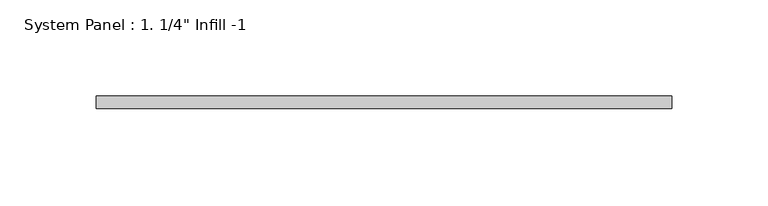
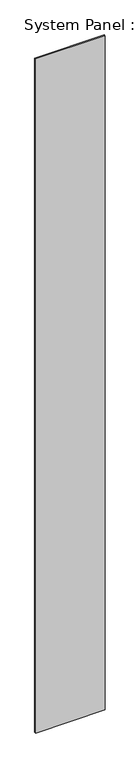
"""IFC4 building model written with IfcOpenShell, lengths in millimetres: plate geometry."""

from ifc_helpers import new_model, si_unit, origin, origin_with_axes, place, context, project, spatial, polyline, outline, extrude, source, transform, mapped, element, save


def plate_f7d4ffca(model_context):
    return source(origin(), model_context, "Body", "SweptSolid", [
        extrude(outline(polyline([(149.0888571, -25.4), (-149.0888571, -25.4), (-149.0888571, -19.05), (149.0888571, -19.05), (149.0888571, -25.4)])), origin_with_axes(), (0.0, 0.0, 1.0), 3048.0),
    ])


if __name__ == "__main__":
    model = new_model("IFC4")
    model_context = context("Model", 3, world=origin())
    ifc_project = project(units=[si_unit("LENGTHUNIT", "METRE", prefix="MILLI")], contexts=[model_context])
    site = spatial("IfcSite", under=ifc_project)
    building = spatial("IfcBuilding", under=site)
    placement = place(None, origin())
    plate_shape = plate_f7d4ffca(model_context)
    element("IfcPlate", 1, ObjectType="System Panel : 1. 1/4\" Infill -1", at=placement, inside=building, context=model_context, shape_type="MappedRepresentation", body=[
        mapped(plate_shape, transform((0.0, 0.0, 0.0), x_axis=(1.0, 0.0, 0.0), y_axis=(0.0, 1.0, 0.0), z_axis=(0.0, 0.0, 1.0))),
    ])
    save(model, "model.ifc")
